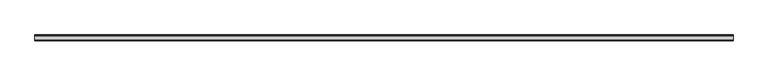
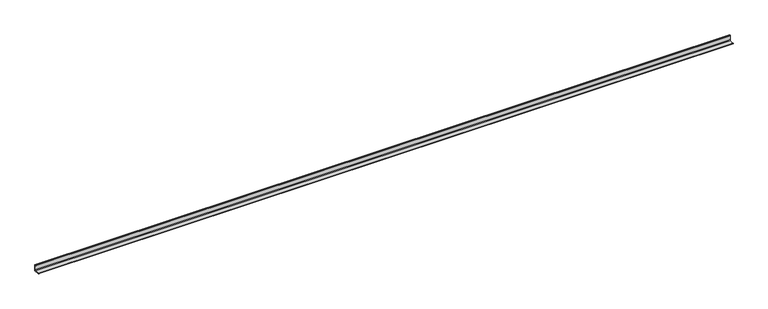
"""IFC4 building model written with IfcOpenShell, lengths in millimetres: beam geometry."""

from ifc_helpers import new_model, si_unit, point, frame, frame_2d, origin, place, context, project, spatial, polyline, circle_curve, trimmed, segment, composite_curve, outline, extrude, source, transform, mapped, element, save


def beam_ca84d8ef(model_context):
    return source(origin(), model_context, "Body", "SweptSolid", [
        extrude(outline(composite_curve([segment(polyline([(21.3, -21.3), (-53.7, -21.3), (-53.7, -18.3)]), True, "CONTINUOUS"), segment(trimmed(circle_curve(frame_2d((-48.7, -18.3)), 5.0), [point((-53.7, -18.3))], [point((-48.7, -13.3))], False, "CARTESIAN"), True, "CONTINUOUS"), segment(polyline([(-48.7, -13.3), (5.3, -13.3)]), True, "CONTINUOUS"), segment(trimmed(circle_curve(frame_2d((5.3, -5.3)), 8.0), [point((5.3, -13.3))], [point((13.3, -5.3))], True, "CARTESIAN"), True, "CONTINUOUS"), segment(polyline([(13.3, -5.3), (13.3, 48.7)]), True, "CONTINUOUS"), segment(trimmed(circle_curve(frame_2d((18.3, 48.7)), 5.0), [point((13.3, 48.7))], [point((18.3, 53.7))], False, "CARTESIAN"), True, "CONTINUOUS"), segment(polyline([(18.3, 53.7), (21.3, 53.7), (21.3, -21.3)]), True, "CONTINUOUS")], self_intersect=False)), frame((-4415.0, 0.0, 0.0), z_axis=(1.0, 0.0, 0.0), x_axis=(0.0, 1.0, 0.0)), (0.0, 0.0, 1.0), 8874.0),
    ])


if __name__ == "__main__":
    model = new_model("IFC4")
    model_context = context("Model", 3, world=origin())
    ifc_project = project(units=[si_unit("LENGTHUNIT", "METRE", prefix="MILLI")], contexts=[model_context])
    site = spatial("IfcSite", under=ifc_project)
    building = spatial("IfcBuilding", under=site)
    placement = place(None, origin())
    beam_shape = beam_ca84d8ef(model_context)
    element("IfcBeam", 1, at=placement, inside=building, context=model_context, shape_type="MappedRepresentation", body=[
        mapped(beam_shape, transform((0.0, 0.0, 0.0), x_axis=(1.0, 0.0, 0.0), y_axis=(0.0, 1.0, 0.0), z_axis=(0.0, 0.0, 1.0))),
    ])
    save(model, "model.ifc")
